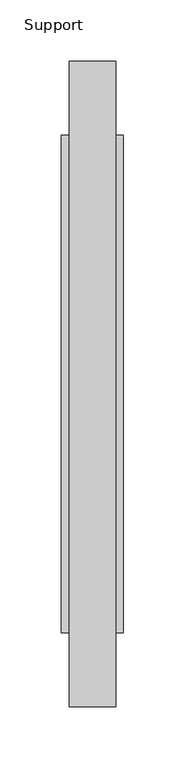
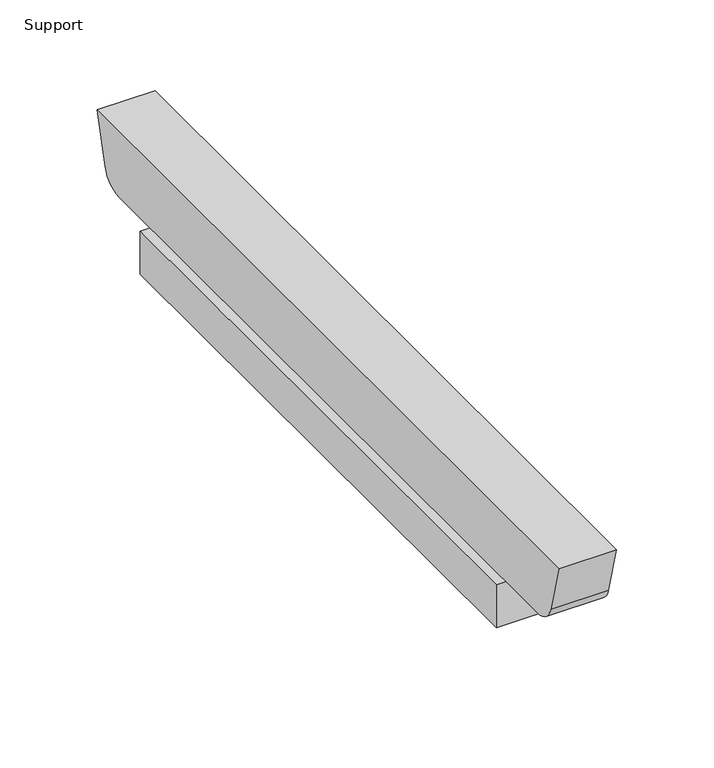
"""IFC4 building model written with IfcOpenShell, lengths in millimetres: furniture geometry, Support."""

from ifc_helpers import new_model, si_unit, point, frame, frame_2d, origin, place, context, project, spatial, polyline, circle_curve, trimmed, segment, composite_curve, outline, extrude, source, transform, mapped, element, save


def support_617ffdb3(model_context):
    return source(origin(), model_context, "Body", "SweptSolid", [
        extrude(outline(composite_curve([segment(polyline([(-6.8722266, 711.2), (-15.9303274, 677.3947076)]), True, "CONTINUOUS"), segment(trimmed(circle_curve(frame_2d((-31.2643999, 681.5034599)), 15.875), [point((-15.9303274, 677.3947076))], [point((-31.2643999, 665.6284599))], False, "CARTESIAN"), True, "CONTINUOUS"), segment(polyline([(-31.2643999, 665.6284599), (-509.5300533, 665.6284599)]), True, "CONTINUOUS"), segment(trimmed(circle_curve(frame_2d((-509.5300533, 681.5034599)), 15.875), [point((-509.5300533, 665.6284599))], [point((-524.8641258, 677.3947076))], False, "CARTESIAN"), True, "CONTINUOUS"), segment(polyline([(-524.8641258, 677.3947076), (-533.9222266, 711.2), (-6.8722266, 711.2)]), True, "CONTINUOUS")], self_intersect=False)), frame((196.85, 0.0, 0.0), z_axis=(1.0, 0.0, 0.0), x_axis=(0.0, 1.0, 0.0)), (0.0, 0.0, 1.0), 38.1),
        extrude(outline(polyline([(241.3, -67.1972266), (241.3, -473.5972266), (190.5, -473.5972266), (190.5, -67.1972266), (241.3, -67.1972266)])), frame((0.0, 0.0, 635.6476591), z_axis=(0.0, 0.0, 1.0), x_axis=(1.0, 0.0, 0.0)), (0.0, 0.0, 1.0), 29.9808008),
    ])


if __name__ == "__main__":
    model = new_model("IFC4")
    model_context = context("Model", 3, world=origin())
    ifc_project = project(units=[si_unit("LENGTHUNIT", "METRE", prefix="MILLI")], contexts=[model_context])
    site = spatial("IfcSite", under=ifc_project)
    building = spatial("IfcBuilding", under=site)
    placement = place(None, origin())
    support_shape = support_617ffdb3(model_context)
    element("IfcFurniture", 1, ObjectType="Support", at=placement, inside=building, context=model_context, shape_type="MappedRepresentation", body=[
        mapped(support_shape, transform((0.0, 0.0, 0.0), x_axis=(1.0, 0.0, 0.0), y_axis=(0.0, 1.0, 0.0), z_axis=(0.0, 0.0, 1.0))),
    ])
    save(model, "model.ifc")
